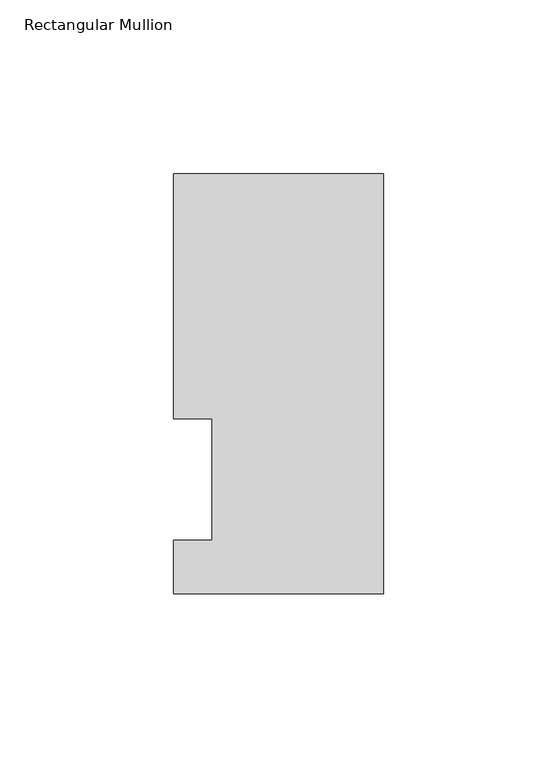
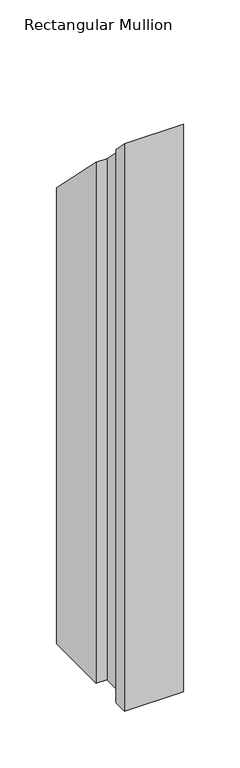
"""IFC4 building model written with IfcOpenShell, lengths in millimetres: member geometry, Rectangular Mullion."""

from ifc_helpers import new_model, si_unit, origin, place, context, project, spatial, faceted_brep, source, transform, mapped, element, save


def rectangular_mullion_2af0558b(model_context):
    return source(origin(), model_context, "Body", "Brep", [
        faceted_brep([(0.0, -3.3164122, -609.6), (-60.3251015, -3.3164122, -609.6), (-60.3251015, 12.1267878, -609.6), (-49.2253015, 12.1267878, -609.6), (-49.2253015, 47.0517878, -609.6), (-60.3251015, 47.0517878, -609.6), (-60.3251015, 117.4859878, -609.6), (0.0, 117.4859878, -609.6), (0.0, 117.4859878, -117.4859878), (0.0, -3.3164122, 3.3164122), (-60.3251015, 117.4859878, -117.4859878), (-60.3251015, 47.0517878, -47.0517878), (-49.2253015, 47.0517878, -47.0517878), (-49.2253015, 12.1267878, -12.1267878), (-60.3251015, 12.1267878, -12.1267878), (-60.3251015, -3.3164122, 3.3164122)], [[[0, 1, 2, 3, 4, 5, 6, 7]], [[8, 9, 0, 7]], [[10, 8, 7, 6]], [[11, 10, 6, 5]], [[12, 11, 5, 4]], [[13, 12, 4, 3]], [[14, 13, 3, 2]], [[15, 14, 2, 1]], [[9, 15, 1, 0]], [[9, 8, 10, 11, 12, 13, 14, 15]]]),
    ])


if __name__ == "__main__":
    model = new_model("IFC4")
    model_context = context("Model", 3, world=origin())
    ifc_project = project(units=[si_unit("LENGTHUNIT", "METRE", prefix="MILLI")], contexts=[model_context])
    site = spatial("IfcSite", under=ifc_project)
    building = spatial("IfcBuilding", under=site)
    placement = place(None, origin())
    rectangular_mullion_shape = rectangular_mullion_2af0558b(model_context)
    element("IfcMember", 1, ObjectType="Rectangular Mullion", at=placement, inside=building, context=model_context, shape_type="MappedRepresentation", body=[
        mapped(rectangular_mullion_shape, transform((0.0, 0.0, 0.0), x_axis=(1.0, 0.0, 0.0), y_axis=(0.0, 1.0, 0.0), z_axis=(0.0, 0.0, 1.0))),
    ])
    save(model, "model.ifc")
